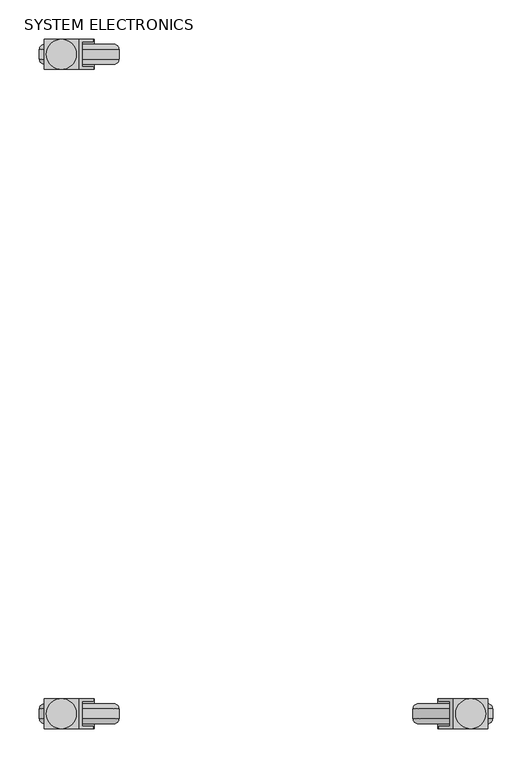
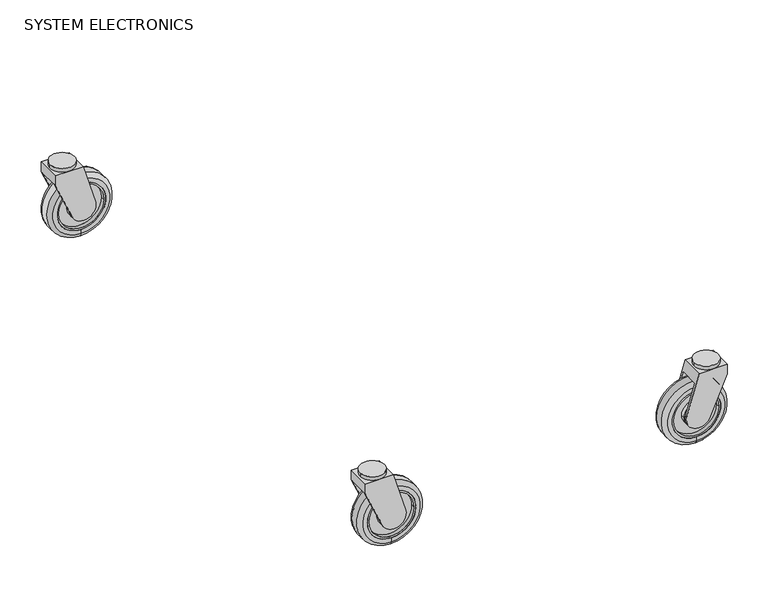
"""IFC4 building model written with IfcOpenShell, lengths in millimetres: proxy geometry, SYSTEM ELECTRONICS."""

from ifc_helpers import new_model, si_unit, point, frame, frame_2d, origin, place, context, project, spatial, polyline, circle_curve, ellipse_curve, trimmed, segment, composite_curve, outline, extrude, source, transform, mapped, element, save
from ifc_brep_helpers import plane_surface, cylinder_surface, revolved_surface, advanced_brep


def system_electronics_4402ecd6(model_context):
    return source(origin(), model_context, "Body", "SolidModel", [
        advanced_brep(
        [(67.0948892, -1473.2, 12.7), (67.0948892, -1473.2, 88.9), (67.0948892, -1473.2, 95.25), (67.0948892, -1473.2, 6.35), (67.0948892, -1498.6, 12.7), (67.0948892, -1498.6, 88.9), (67.0948892, -1498.6, 6.35), (67.0948892, -1498.6, 95.25), (67.0948892, -1492.25, 0.0), (67.0948892, -1492.25, 101.6), (67.0948892, -1479.55, 0.0), (67.0948892, -1479.55, 101.6)],
        [
            (0, 1, circle_curve(frame((67.0948892, -1473.2, 50.8), z_axis=(0.0, -1.0, 0.0), x_axis=(0.0, 0.0, 1.0)), 38.1)),
            (1, 2),
            (2, 3, circle_curve(frame((67.0948892, -1473.2, 50.8), z_axis=(0.0, 1.0, 0.0), x_axis=(0.0, 0.0, 1.0)), 44.45)),
            (3, 0),
            (1, 0, circle_curve(frame((67.0948892, -1473.2, 50.8), z_axis=(0.0, -1.0, 0.0), x_axis=(0.0, 0.0, 1.0)), 38.1)),
            (3, 2, circle_curve(frame((67.0948892, -1473.2, 50.8), z_axis=(0.0, 1.0, 0.0), x_axis=(0.0, 0.0, 1.0)), 44.45)),
            (4, 5, circle_curve(frame((67.0948892, -1498.6, 50.8), z_axis=(0.0, -1.0, 0.0), x_axis=(0.0, 0.0, 1.0)), 38.1)),
            (5, 1),
            (0, 4),
            (5, 4, circle_curve(frame((67.0948892, -1498.6, 50.8), z_axis=(0.0, -1.0, 0.0), x_axis=(0.0, 0.0, 1.0)), 38.1)),
            (6, 7, circle_curve(frame((67.0948892, -1498.6, 50.8), z_axis=(0.0, -1.0, 0.0), x_axis=(0.0, 0.0, 1.0)), 44.45)),
            (7, 5),
            (4, 6),
            (7, 6, circle_curve(frame((67.0948892, -1498.6, 50.8), z_axis=(0.0, -1.0, 0.0), x_axis=(0.0, 0.0, 1.0)), 44.45)),
            (8, 9, circle_curve(frame((67.0948892, -1492.25, 50.8), z_axis=(0.0, -1.0, 0.0), x_axis=(0.0, 0.0, 1.0)), 50.8)),
            (9, 7, circle_curve(frame((67.0948892, -1492.25, 95.25), z_axis=(0.9999999999999998, 0.0, 0.0), x_axis=(0.0, -0.9999999999999998, 0.0)), 6.35)),
            (6, 8, circle_curve(frame((67.0948892, -1492.25, 6.35), z_axis=(0.9999999999999998, 0.0, 0.0), x_axis=(0.0, -0.9999999999999998, 0.0)), 6.35)),
            (9, 8, circle_curve(frame((67.0948892, -1492.25, 50.8), z_axis=(0.0, -1.0, 0.0), x_axis=(0.0, 0.0, 1.0)), 50.8)),
            (10, 11, circle_curve(frame((67.0948892, -1479.55, 50.8), z_axis=(0.0, -1.0, 0.0), x_axis=(0.0, 0.0, 1.0)), 50.8)),
            (11, 9),
            (8, 10),
            (11, 10, circle_curve(frame((67.0948892, -1479.55, 50.8), z_axis=(0.0, -1.0, 0.0), x_axis=(0.0, 0.0, 1.0)), 50.8)),
            (2, 11, circle_curve(frame((67.0948892, -1479.55, 95.25), z_axis=(0.9999999999999998, 0.0, 0.0), x_axis=(0.0, -0.9999999999999998, 0.0)), 6.35)),
            (10, 3, circle_curve(frame((67.0948892, -1479.55, 6.35), z_axis=(0.9999999999999998, 0.0, 0.0), x_axis=(0.0, -0.9999999999999998, 0.0)), 6.35)),
        ],
        [
            plane_surface(frame((67.0948892, -1473.2, 50.8), z_axis=(0.0, 1.0, 0.0), x_axis=(0.0, 0.0, 1.0))),
            revolved_surface(polyline([(67.0948892, -1473.2, 88.9), (67.0948892, -1498.6, 88.9)]), (67.0948892, -1460.5, 50.8), (0.0, 0.9999999999999998, 0.0)),
            plane_surface(frame((67.0948892, -1498.6, 50.8), z_axis=(0.0, -1.0, 0.0), x_axis=(0.0, 0.0, 1.0))),
            revolved_surface(trimmed(ellipse_curve(frame((67.0948892, -1492.25, 95.25), z_axis=(-0.9999999999999998, 0.0, 0.0), x_axis=(0.0, -0.9999999999999998, 0.0)), 6.35, 6.35), [point((67.0948892, -1498.6, 95.25))], [point((67.0948892, -1492.25, 101.6))], True, "CARTESIAN"), (67.0948892, -1460.5, 50.8), (0.0, 0.9999999999999998, 0.0)),
            cylinder_surface(frame((67.0948892, -1460.5, 50.8), z_axis=(0.0, 0.9999999999999998, 0.0), x_axis=(0.0, 0.0, 1.0)), 50.8),
            revolved_surface(trimmed(ellipse_curve(frame((67.0948892, -1479.55, 95.25), z_axis=(-0.9999999999999998, 0.0, 0.0), x_axis=(0.0, -0.9999999999999998, 0.0)), 6.35, 6.35), [point((67.0948892, -1479.55, 101.6))], [point((67.0948892, -1473.2, 95.25))], True, "CARTESIAN"), (67.0948892, -1460.5, 50.8), (0.0, 0.9999999999999998, 0.0)),
        ],
        [
            (0, [[1, 2, 3, 4]]),
            (0, [[5, -4, 6, -2]]),
            (1, [[7, 8, -1, 9]]),
            (1, [[10, -9, -5, -8]]),
            (2, [[11, 12, -7, 13]]),
            (2, [[14, -13, -10, -12]]),
            (3, [[15, 16, -11, 17]]),
            (3, [[18, -17, -14, -16]]),
            (4, [[19, 20, -15, 21]]),
            (4, [[22, -21, -18, -20]]),
            (5, [[-3, 23, -19, 24]]),
            (5, [[-6, -24, -22, -23]]),
        ],
    ),
        advanced_brep(
        [(49.1866532, -1504.95, 44.3040332), (85.5850789, -1504.95, 55.3842539), (66.2551108, -1504.95, 120.65), (22.6448892, -1504.95, 120.65), (22.6448892, -1504.95, 104.775), (49.1866532, -1501.775, 44.3040332), (22.6448892, -1501.775, 104.775), (70.9568612, -1501.775, 104.775), (85.0992914, -1501.775, 57.024468), (85.5850789, -1501.775, 55.3842539), (86.1448892, -1501.775, 50.8), (70.9568612, -1470.025, 104.775), (85.0992914, -1470.025, 57.024468), (85.5850789, -1470.025, 55.3842539), (85.5850789, -1466.85, 55.3842539), (66.2551108, -1466.85, 120.65), (22.6448892, -1466.85, 120.65), (22.6448892, -1466.85, 104.775), (22.6448892, -1470.025, 104.775), (49.1866532, -1466.85, 44.3040332), (49.1866532, -1470.025, 44.3040332), (86.1448892, -1470.025, 50.8)],
        [
            (0, 1, circle_curve(frame((67.0948892, -1504.95, 50.8), z_axis=(0.0, -1.0, 0.0), x_axis=(-0.9999999999999998, 0.0, 0.0)), 19.05)),
            (1, 2),
            (2, 3),
            (3, 4),
            (4, 0),
            (5, 6),
            (6, 7),
            (7, 8),
            (8, 9),
            (9, 10, circle_curve(frame((67.0948892, -1501.775, 50.8), z_axis=(0.0, 1.0, 0.0), x_axis=(-0.9999999999999998, 0.0, 0.0)), 19.05)),
            (10, 5, circle_curve(frame((67.0948892, -1501.775, 50.8), z_axis=(0.0, 1.0, 0.0), x_axis=(-0.9999999999999998, 0.0, 0.0)), 19.05)),
            (0, 5),
            (9, 1),
            (7, 11),
            (11, 12),
            (12, 13),
            (13, 14),
            (14, 15),
            (15, 2),
            (15, 16),
            (16, 3),
            (16, 17),
            (17, 18),
            (18, 6),
            (6, 4),
            (18, 11),
            (19, 17),
            (14, 19, circle_curve(frame((67.0948892, -1466.85, 50.8), z_axis=(0.0, 1.0, 0.0), x_axis=(-0.9999999999999998, 0.0, 0.0)), 19.05)),
            (18, 20),
            (20, 21, circle_curve(frame((67.0948892, -1470.025, 50.8), z_axis=(0.0, -1.0, 0.0), x_axis=(-0.9999999999999998, 0.0, 0.0)), 19.05)),
            (21, 13, circle_curve(frame((67.0948892, -1470.025, 50.8), z_axis=(0.0, -1.0, 0.0), x_axis=(-0.9999999999999998, 0.0, 0.0)), 19.05)),
            (19, 20),
        ],
        [
            plane_surface(frame((48.0448892, -1504.95, 50.8), z_axis=(0.0, -1.0, 0.0), x_axis=(0.0, 0.0, -1.0))),
            plane_surface(frame((48.0448892, -1501.775, 50.8), z_axis=(0.0, 1.0, 0.0), x_axis=(0.0, 0.0, 1.0))),
            cylinder_surface(frame((67.0948892, -1501.775, 50.8), z_axis=(0.0, -0.9999999999999998, 0.0), x_axis=(-0.9999999999999998, 0.0, 0.0)), 19.05),
            plane_surface(frame((85.5850789, -1504.95, 55.3842539), z_axis=(0.9588302426656272, 0.0, 0.28397986856425994), x_axis=(0.0, 1.0, 0.0))),
            plane_surface(frame((66.2551108, -1504.95, 120.65), z_axis=(0.0, 0.0, 1.0), x_axis=(0.0, 1.0, 0.0))),
            plane_surface(frame((22.6448892, -1504.95, 120.65), z_axis=(-1.0, 0.0, 0.0), x_axis=(0.0, 1.0, 0.0))),
            plane_surface(frame((22.6448892, -1504.95, 104.775), z_axis=(-0.915680061718798, 0.0, -0.40190798022763663), x_axis=(0.0, 1.0, 0.0))),
            plane_surface(frame((70.9568612, -1470.025, 104.775), z_axis=(0.0, 0.0, -1.0), x_axis=(0.0, -1.0, 0.0))),
            plane_surface(frame((17.9037108, -1466.85, 115.5769813), z_axis=(0.0, 1.0, 0.0), x_axis=(-0.40190798022763913, 0.0, 0.9156800617187969))),
            plane_surface(frame((17.9037108, -1470.025, 115.5769813), z_axis=(0.0, -1.0, 0.0), x_axis=(0.40190798022763913, 0.0, -0.9156800617187969))),
            plane_surface(frame((49.1866532, -1466.85, 44.3040332), z_axis=(-0.9156800617187969, 0.0, -0.40190798022763913), x_axis=(0.0, -1.0, 0.0))),
            cylinder_surface(frame((67.0948892, -1470.025, 50.8), z_axis=(0.0, 0.9999999999999998, 0.0), x_axis=(-0.9999999999999998, 0.0, 0.0)), 19.05),
        ],
        [
            (0, [[1, 2, 3, 4, 5]]),
            (1, [[6, 7, 8, 9, 10, 11]]),
            (2, [[-1, 12, -11, -10, 13]]),
            (3, [[-2, -13, -9, -8, 14, 15, 16, 17, 18, 19]]),
            (4, [[-3, -19, 20, 21]]),
            (5, [[-4, -21, 22, 23, 24, 25]]),
            (6, [[-5, -25, -6, -12]]),
            (7, [[-24, 26, -14, -7]]),
            (8, [[27, -22, -20, -18, 28]]),
            (9, [[29, 30, 31, -16, -15, -26]]),
            (10, [[-27, 32, -29, -23]]),
            (11, [[-28, -17, -31, -30, -32]]),
        ],
    ),
        advanced_brep(
        [(105.1948892, -1473.2, 50.8), (28.9948892, -1473.2, 50.8), (102.0198892, -1473.2, 50.8), (32.1698892, -1473.2, 50.8), (105.1948892, -1498.6, 50.8), (28.9948892, -1498.6, 50.8), (102.0198892, -1498.6, 50.8), (32.1698892, -1498.6, 50.8), (86.1448892, -1470.025, 50.8), (48.0448892, -1470.025, 50.8), (86.1448892, -1501.775, 50.8), (48.0448892, -1501.775, 50.8), (86.1448892, -1473.2, 50.8), (48.0448892, -1473.2, 50.8), (48.0448892, -1498.6, 50.8), (86.1448892, -1498.6, 50.8), (102.0198892, -1479.55, 50.8), (32.1698892, -1479.55, 50.8), (86.1448892, -1479.55, 50.8), (48.0448892, -1479.55, 50.8), (102.0198892, -1492.25, 50.8), (32.1698892, -1492.25, 50.8), (86.1448892, -1492.25, 50.8), (48.0448892, -1492.25, 50.8)],
        [
            (0, 1, circle_curve(frame((67.0948892, -1473.2, 50.8), z_axis=(0.0, 1.0, 0.0), x_axis=(-0.9999999999999998, 0.0, 0.0)), 38.1)),
            (1, 0, circle_curve(frame((67.0948892, -1473.2, 50.8), z_axis=(0.0, 1.0, 0.0), x_axis=(-0.9999999999999998, 0.0, 0.0)), 38.1)),
            (2, 3, circle_curve(frame((67.0948892, -1473.2, 50.8), z_axis=(0.0, -1.0, 0.0), x_axis=(-0.9999999999999998, 0.0, 0.0)), 34.925)),
            (3, 2, circle_curve(frame((67.0948892, -1473.2, 50.8), z_axis=(0.0, -1.0, 0.0), x_axis=(-0.9999999999999998, 0.0, 0.0)), 34.925)),
            (4, 5, circle_curve(frame((67.0948892, -1498.6, 50.8), z_axis=(0.0, -1.0, 0.0), x_axis=(-0.9999999999999998, 0.0, 0.0)), 38.1)),
            (5, 4, circle_curve(frame((67.0948892, -1498.6, 50.8), z_axis=(0.0, -1.0, 0.0), x_axis=(-0.9999999999999998, 0.0, 0.0)), 38.1)),
            (6, 7, circle_curve(frame((67.0948892, -1498.6, 50.8), z_axis=(0.0, 1.0, 0.0), x_axis=(-0.9999999999999998, 0.0, 0.0)), 34.925)),
            (7, 6, circle_curve(frame((67.0948892, -1498.6, 50.8), z_axis=(0.0, 1.0, 0.0), x_axis=(-0.9999999999999998, 0.0, 0.0)), 34.925)),
            (0, 4),
            (5, 1),
            (8, 9, circle_curve(frame((67.0948892, -1470.025, 50.8), z_axis=(0.0, 1.0, 0.0), x_axis=(-0.9999999999999998, 0.0, 0.0)), 19.05)),
            (9, 8, circle_curve(frame((67.0948892, -1470.025, 50.8), z_axis=(0.0, 1.0, 0.0), x_axis=(-0.9999999999999998, 0.0, 0.0)), 19.05)),
            (10, 11, circle_curve(frame((67.0948892, -1501.775, 50.8), z_axis=(0.0, -1.0, 0.0), x_axis=(-0.9999999999999998, 0.0, 0.0)), 19.05)),
            (11, 10, circle_curve(frame((67.0948892, -1501.775, 50.8), z_axis=(0.0, -1.0, 0.0), x_axis=(-0.9999999999999998, 0.0, 0.0)), 19.05)),
            (8, 12),
            (12, 13, circle_curve(frame((67.0948892, -1473.2, 50.8), z_axis=(0.0, 1.0, 0.0), x_axis=(-0.9999999999999998, 0.0, 0.0)), 19.05)),
            (13, 9),
            (11, 14),
            (14, 15, circle_curve(frame((67.0948892, -1498.6, 50.8), z_axis=(0.0, -1.0, 0.0), x_axis=(-0.9999999999999998, 0.0, 0.0)), 19.05)),
            (15, 10),
            (13, 12, circle_curve(frame((67.0948892, -1473.2, 50.8), z_axis=(0.0, 1.0, 0.0), x_axis=(-0.9999999999999998, 0.0, 0.0)), 19.05)),
            (15, 14, circle_curve(frame((67.0948892, -1498.6, 50.8), z_axis=(0.0, -1.0, 0.0), x_axis=(-0.9999999999999998, 0.0, 0.0)), 19.05)),
            (16, 17, circle_curve(frame((67.0948892, -1479.55, 50.8), z_axis=(0.0, 1.0, 0.0), x_axis=(-0.9999999999999998, 0.0, 0.0)), 34.925)),
            (17, 16, circle_curve(frame((67.0948892, -1479.55, 50.8), z_axis=(0.0, 1.0, 0.0), x_axis=(-0.9999999999999998, 0.0, 0.0)), 34.925)),
            (18, 19, circle_curve(frame((67.0948892, -1479.55, 50.8), z_axis=(0.0, -1.0, 0.0), x_axis=(-0.9999999999999998, 0.0, 0.0)), 19.05)),
            (19, 18, circle_curve(frame((67.0948892, -1479.55, 50.8), z_axis=(0.0, -1.0, 0.0), x_axis=(-0.9999999999999998, 0.0, 0.0)), 19.05)),
            (17, 3),
            (2, 16),
            (19, 13),
            (12, 18),
            (20, 21, circle_curve(frame((67.0948892, -1492.25, 50.8), z_axis=(0.0, -1.0, 0.0), x_axis=(-0.9999999999999998, 0.0, 0.0)), 34.925)),
            (21, 20, circle_curve(frame((67.0948892, -1492.25, 50.8), z_axis=(0.0, -1.0, 0.0), x_axis=(-0.9999999999999998, 0.0, 0.0)), 34.925)),
            (22, 23, circle_curve(frame((67.0948892, -1492.25, 50.8), z_axis=(0.0, 1.0, 0.0), x_axis=(-0.9999999999999998, 0.0, 0.0)), 19.05)),
            (23, 22, circle_curve(frame((67.0948892, -1492.25, 50.8), z_axis=(0.0, 1.0, 0.0), x_axis=(-0.9999999999999998, 0.0, 0.0)), 19.05)),
            (21, 7),
            (6, 20),
            (23, 14),
            (15, 22),
        ],
        [
            plane_surface(frame((28.9948892, -1473.2, 50.8), z_axis=(0.0, 1.0, 0.0), x_axis=(0.0, 0.0, 1.0))),
            plane_surface(frame((28.9948892, -1498.6, 50.8), z_axis=(0.0, -1.0, 0.0), x_axis=(0.0, 0.0, -1.0))),
            cylinder_surface(frame((67.0948892, -1498.6, 50.8), z_axis=(0.0, 0.9999999999999998, 0.0), x_axis=(-0.9999999999999998, 0.0, 0.0)), 38.1),
            plane_surface(frame((48.0448892, -1470.025, 50.8), z_axis=(0.0, 1.0, 0.0), x_axis=(0.0, 0.0, 1.0))),
            plane_surface(frame((48.0448892, -1501.775, 50.8), z_axis=(0.0, -1.0, 0.0), x_axis=(0.0, 0.0, -1.0))),
            cylinder_surface(frame((67.0948892, -1501.775, 50.8), z_axis=(0.0, 0.9999999999999998, 0.0), x_axis=(-0.9999999999999998, 0.0, 0.0)), 19.05),
            plane_surface(frame((32.1698892, -1479.55, 50.8), z_axis=(0.0, 1.0, 0.0), x_axis=(0.0, 0.0, -1.0))),
            revolved_surface(polyline([(32.16988920000001, -1479.55, 50.8), (32.16988920000001, -1473.2, 50.8)]), (67.0948892, -1473.2, 50.8), (0.0, -0.9999999999999998, 0.0)),
            cylinder_surface(frame((67.0948892, -1473.2, 50.8), z_axis=(0.0, 0.9999999999999998, 0.0), x_axis=(-0.9999999999999998, 0.0, 0.0)), 19.05),
            plane_surface(frame((32.1698892, -1492.25, 50.8), z_axis=(0.0, -1.0, 0.0), x_axis=(0.0, 0.0, 1.0))),
            revolved_surface(polyline([(32.16988920000001, -1492.25, 50.8), (32.16988920000001, -1498.6, 50.8)]), (67.0948892, -1498.6, 50.8), (0.0, 0.9999999999999998, 0.0)),
            cylinder_surface(frame((67.0948892, -1498.6, 50.8), z_axis=(0.0, -0.9999999999999998, 0.0), x_axis=(-0.9999999999999998, 0.0, 0.0)), 19.05),
        ],
        [
            (0, [[1, 2], [3, 4]]),
            (1, [[5, 6], [7, 8]]),
            (2, [[-1, 9, -6, 10]]),
            (2, [[-2, -10, -5, -9]]),
            (3, [[11, 12]]),
            (4, [[13, 14]]),
            (5, [[-11, 15, 16, 17]]),
            (5, [[-14, 18, 19, 20]]),
            (5, [[-12, -17, 21, -15]]),
            (5, [[-13, -20, 22, -18]]),
            (6, [[23, 24], [25, 26]]),
            (7, [[-24, 27, -3, 28]]),
            (7, [[-23, -28, -4, -27]]),
            (8, [[-26, 29, -16, 30]]),
            (8, [[-25, -30, -21, -29]]),
            (9, [[31, 32], [33, 34]]),
            (10, [[-32, 35, -7, 36]]),
            (10, [[-31, -36, -8, -35]]),
            (11, [[-34, 37, -22, 38]]),
            (11, [[-33, -38, -19, -37]]),
        ],
    ),
        extrude(outline(composite_curve([segment(trimmed(circle_curve(frame_2d((44.45, -1485.9)), 19.05), [point((63.5, -1485.9))], [point((25.4, -1485.9))], False, "CARTESIAN"), True, "CONTINUOUS"), segment(trimmed(circle_curve(frame_2d((44.45, -1485.9)), 19.05), [point((25.4, -1485.9))], [point((63.5, -1485.9))], False, "CARTESIAN"), True, "CONTINUOUS")], self_intersect=False)), frame((0.0, 0.0, 120.65), z_axis=(0.0, 0.0, 1.0), x_axis=(1.0, 0.0, 0.0)), (0.0, 0.0, 1.0), 6.35),
        advanced_brep(
        [(67.0948892, -660.4, 12.7), (67.0948892, -660.4, 6.35), (67.0948892, -660.4, 95.25), (67.0948892, -660.4, 88.9), (67.0948892, -635.0, 12.7), (67.0948892, -635.0, 88.9), (67.0948892, -635.0, 6.35), (67.0948892, -635.0, 95.25), (67.0948892, -641.35, 0.0), (67.0948892, -641.35, 101.6), (67.0948892, -654.05, 0.0), (67.0948892, -654.05, 101.6)],
        [
            (0, 1),
            (1, 2, circle_curve(frame((67.0948892, -660.4, 50.8), z_axis=(0.0, -1.0, 0.0), x_axis=(0.0, 0.0, 1.0)), 44.45)),
            (2, 3),
            (3, 0, circle_curve(frame((67.0948892, -660.4, 50.8), z_axis=(0.0, 1.0, 0.0), x_axis=(0.0, 0.0, 1.0)), 38.1)),
            (2, 1, circle_curve(frame((67.0948892, -660.4, 50.8), z_axis=(0.0, -1.0, 0.0), x_axis=(0.0, 0.0, 1.0)), 44.45)),
            (0, 3, circle_curve(frame((67.0948892, -660.4, 50.8), z_axis=(0.0, 1.0, 0.0), x_axis=(0.0, 0.0, 1.0)), 38.1)),
            (4, 0),
            (3, 5),
            (5, 4, circle_curve(frame((67.0948892, -635.0, 50.8), z_axis=(0.0, 1.0, 0.0), x_axis=(0.0, 0.0, 1.0)), 38.1)),
            (4, 5, circle_curve(frame((67.0948892, -635.0, 50.8), z_axis=(0.0, 1.0, 0.0), x_axis=(0.0, 0.0, 1.0)), 38.1)),
            (6, 4),
            (5, 7),
            (7, 6, circle_curve(frame((67.0948892, -635.0, 50.8), z_axis=(0.0, 1.0, 0.0), x_axis=(0.0, 0.0, 1.0)), 44.45)),
            (6, 7, circle_curve(frame((67.0948892, -635.0, 50.8), z_axis=(0.0, 1.0, 0.0), x_axis=(0.0, 0.0, 1.0)), 44.45)),
            (8, 6, circle_curve(frame((67.0948892, -641.35, 6.35), z_axis=(0.9999999999999998, 0.0, 0.0), x_axis=(0.0, 0.9999999999999998, 0.0)), 6.35)),
            (7, 9, circle_curve(frame((67.0948892, -641.35, 95.25), z_axis=(0.9999999999999998, 0.0, 0.0), x_axis=(0.0, 0.9999999999999998, 0.0)), 6.35)),
            (9, 8, circle_curve(frame((67.0948892, -641.35, 50.8), z_axis=(0.0, 1.0, 0.0), x_axis=(0.0, 0.0, 1.0)), 50.8)),
            (8, 9, circle_curve(frame((67.0948892, -641.35, 50.8), z_axis=(0.0, 1.0, 0.0), x_axis=(0.0, 0.0, 1.0)), 50.8)),
            (10, 8),
            (9, 11),
            (11, 10, circle_curve(frame((67.0948892, -654.05, 50.8), z_axis=(0.0, 1.0, 0.0), x_axis=(0.0, 0.0, 1.0)), 50.8)),
            (10, 11, circle_curve(frame((67.0948892, -654.05, 50.8), z_axis=(0.0, 1.0, 0.0), x_axis=(0.0, 0.0, 1.0)), 50.8)),
            (1, 10, circle_curve(frame((67.0948892, -654.05, 6.35), z_axis=(0.9999999999999998, 0.0, 0.0), x_axis=(0.0, 0.9999999999999998, 0.0)), 6.35)),
            (11, 2, circle_curve(frame((67.0948892, -654.05, 95.25), z_axis=(0.9999999999999998, 0.0, 0.0), x_axis=(0.0, 0.9999999999999998, 0.0)), 6.35)),
        ],
        [
            plane_surface(frame((67.0948892, -660.4, 50.8), z_axis=(0.0, -1.0, 0.0), x_axis=(0.0, 0.0, 1.0))),
            revolved_surface(polyline([(67.0948892, -660.4, 88.9), (67.0948892, -635.0, 88.9)]), (67.0948892, -673.1, 50.8), (0.0, -0.9999999999999998, 0.0)),
            plane_surface(frame((67.0948892, -635.0, 50.8), z_axis=(0.0, 1.0, 0.0), x_axis=(0.0, 0.0, 1.0))),
            revolved_surface(trimmed(ellipse_curve(frame((67.0948892, -641.35, 95.25), z_axis=(0.9999999999999998, 0.0, 0.0), x_axis=(0.0, 0.9999999999999998, 0.0)), 6.35, 6.35), [point((67.0948892, -635.0, 95.25))], [point((67.0948892, -641.35, 101.6))], True, "CARTESIAN"), (67.0948892, -673.1, 50.8), (0.0, -0.9999999999999998, 0.0)),
            cylinder_surface(frame((67.0948892, -673.1, 50.8), z_axis=(0.0, -0.9999999999999998, 0.0), x_axis=(0.0, 0.0, 1.0)), 50.8),
            revolved_surface(trimmed(ellipse_curve(frame((67.0948892, -654.05, 95.25), z_axis=(0.9999999999999998, 0.0, 0.0), x_axis=(0.0, 0.9999999999999998, 0.0)), 6.35, 6.35), [point((67.0948892, -654.05, 101.6))], [point((67.0948892, -660.4, 95.25))], True, "CARTESIAN"), (67.0948892, -673.1, 50.8), (0.0, -0.9999999999999998, 0.0)),
        ],
        [
            (0, [[1, 2, 3, 4]]),
            (0, [[-3, 5, -1, 6]]),
            (1, [[7, -4, 8, 9]]),
            (1, [[-8, -6, -7, 10]]),
            (2, [[11, -9, 12, 13]]),
            (2, [[-12, -10, -11, 14]]),
            (3, [[15, -13, 16, 17]]),
            (3, [[-16, -14, -15, 18]]),
            (4, [[19, -17, 20, 21]]),
            (4, [[-20, -18, -19, 22]]),
            (5, [[23, -21, 24, -2]]),
            (5, [[-24, -22, -23, -5]]),
        ],
    ),
        advanced_brep(
        [(49.1866532, -628.65, 44.3040332), (22.6448892, -628.65, 104.775), (22.6448892, -628.65, 120.65), (66.2551108, -628.65, 120.65), (85.5850789, -628.65, 55.3842539), (49.1866532, -631.825, 44.3040332), (86.1448892, -631.825, 50.8), (85.5850789, -631.825, 55.3842539), (85.0992914, -631.825, 57.024468), (70.9568612, -631.825, 104.775), (22.6448892, -631.825, 104.775), (66.2551108, -666.75, 120.65), (85.5850789, -666.75, 55.3842539), (85.5850789, -663.575, 55.3842539), (85.0992914, -663.575, 57.024468), (70.9568612, -663.575, 104.775), (22.6448892, -666.75, 120.65), (22.6448892, -663.575, 104.775), (22.6448892, -666.75, 104.775), (49.1866532, -666.75, 44.3040332), (86.1448892, -663.575, 50.8), (49.1866532, -663.575, 44.3040332)],
        [
            (0, 1),
            (1, 2),
            (2, 3),
            (3, 4),
            (4, 0, circle_curve(frame((67.0948892, -628.65, 50.8), z_axis=(0.0, 1.0, 0.0), x_axis=(-0.9999999999999998, 0.0, 0.0)), 19.05)),
            (5, 6, circle_curve(frame((67.0948892, -631.825, 50.8), z_axis=(0.0, -1.0, 0.0), x_axis=(-0.9999999999999998, 0.0, 0.0)), 19.05)),
            (6, 7, circle_curve(frame((67.0948892, -631.825, 50.8), z_axis=(0.0, -1.0, 0.0), x_axis=(-0.9999999999999998, 0.0, 0.0)), 19.05)),
            (7, 8),
            (8, 9),
            (9, 10),
            (10, 5),
            (4, 7),
            (5, 0),
            (3, 11),
            (11, 12),
            (12, 13),
            (13, 14),
            (14, 15),
            (15, 9),
            (2, 16),
            (16, 11),
            (1, 10),
            (10, 17),
            (17, 18),
            (18, 16),
            (15, 17),
            (19, 12, circle_curve(frame((67.0948892, -666.75, 50.8), z_axis=(0.0, -1.0, 0.0), x_axis=(-0.9999999999999998, 0.0, 0.0)), 19.05)),
            (18, 19),
            (13, 20, circle_curve(frame((67.0948892, -663.575, 50.8), z_axis=(0.0, 1.0, 0.0), x_axis=(-0.9999999999999998, 0.0, 0.0)), 19.05)),
            (20, 21, circle_curve(frame((67.0948892, -663.575, 50.8), z_axis=(0.0, 1.0, 0.0), x_axis=(-0.9999999999999998, 0.0, 0.0)), 19.05)),
            (21, 17),
            (21, 19),
        ],
        [
            plane_surface(frame((48.0448892, -628.65, 50.8), z_axis=(0.0, 1.0, 0.0), x_axis=(0.0, 0.0, -1.0))),
            plane_surface(frame((48.0448892, -631.825, 50.8), z_axis=(0.0, -1.0, 0.0), x_axis=(0.0, 0.0, 1.0))),
            cylinder_surface(frame((67.0948892, -631.825, 50.8), z_axis=(0.0, 0.9999999999999998, 0.0), x_axis=(-0.9999999999999998, 0.0, 0.0)), 19.05),
            plane_surface(frame((85.5850789, -628.65, 55.3842539), z_axis=(0.9588302426656272, 0.0, 0.28397986856425994), x_axis=(0.0, -1.0, 0.0))),
            plane_surface(frame((66.2551108, -628.65, 120.65), z_axis=(0.0, 0.0, 1.0), x_axis=(0.0, -1.0, 0.0))),
            plane_surface(frame((22.6448892, -628.65, 120.65), z_axis=(-1.0, 0.0, 0.0), x_axis=(0.0, -1.0, 0.0))),
            plane_surface(frame((22.6448892, -628.65, 104.775), z_axis=(-0.915680061718798, 0.0, -0.40190798022763663), x_axis=(0.0, -1.0, 0.0))),
            plane_surface(frame((70.9568612, -663.575, 104.775), z_axis=(0.0, 0.0, -1.0), x_axis=(0.0, 1.0, 0.0))),
            plane_surface(frame((17.9037108, -666.75, 115.5769813), z_axis=(0.0, -1.0, 0.0), x_axis=(-0.40190798022763913, 0.0, 0.9156800617187969))),
            plane_surface(frame((17.9037108, -663.575, 115.5769813), z_axis=(0.0, 1.0, 0.0), x_axis=(0.40190798022763913, 0.0, -0.9156800617187969))),
            plane_surface(frame((49.1866532, -666.75, 44.3040332), z_axis=(-0.9156800617187969, 0.0, -0.40190798022763913), x_axis=(0.0, 1.0, 0.0))),
            cylinder_surface(frame((67.0948892, -663.575, 50.8), z_axis=(0.0, -0.9999999999999998, 0.0), x_axis=(-0.9999999999999998, 0.0, 0.0)), 19.05),
        ],
        [
            (0, [[1, 2, 3, 4, 5]]),
            (1, [[6, 7, 8, 9, 10, 11]]),
            (2, [[12, -7, -6, 13, -5]]),
            (3, [[14, 15, 16, 17, 18, 19, -9, -8, -12, -4]]),
            (4, [[20, 21, -14, -3]]),
            (5, [[22, 23, 24, 25, -20, -2]]),
            (6, [[-13, -11, -22, -1]]),
            (7, [[-10, -19, 26, -23]]),
            (8, [[27, -15, -21, -25, 28]]),
            (9, [[-26, -18, -17, 29, 30, 31]]),
            (10, [[-24, -31, 32, -28]]),
            (11, [[-32, -30, -29, -16, -27]]),
        ],
    ),
        advanced_brep(
        [(105.1948892, -660.4, 50.8), (28.9948892, -660.4, 50.8), (102.0198892, -660.4, 50.8), (32.1698892, -660.4, 50.8), (105.1948892, -635.0, 50.8), (28.9948892, -635.0, 50.8), (102.0198892, -635.0, 50.8), (32.1698892, -635.0, 50.8), (86.1448892, -663.575, 50.8), (48.0448892, -663.575, 50.8), (86.1448892, -631.825, 50.8), (48.0448892, -631.825, 50.8), (86.1448892, -635.0, 50.8), (48.0448892, -635.0, 50.8), (48.0448892, -660.4, 50.8), (86.1448892, -660.4, 50.8), (102.0198892, -654.05, 50.8), (32.1698892, -654.05, 50.8), (86.1448892, -654.05, 50.8), (48.0448892, -654.05, 50.8), (102.0198892, -641.35, 50.8), (32.1698892, -641.35, 50.8), (86.1448892, -641.35, 50.8), (48.0448892, -641.35, 50.8)],
        [
            (0, 1, circle_curve(frame((67.0948892, -660.4, 50.8), z_axis=(0.0, -1.0, 0.0), x_axis=(-0.9999999999999998, 0.0, 0.0)), 38.1)),
            (1, 0, circle_curve(frame((67.0948892, -660.4, 50.8), z_axis=(0.0, -1.0, 0.0), x_axis=(-0.9999999999999998, 0.0, 0.0)), 38.1)),
            (2, 3, circle_curve(frame((67.0948892, -660.4, 50.8), z_axis=(0.0, 1.0, 0.0), x_axis=(-0.9999999999999998, 0.0, 0.0)), 34.925)),
            (3, 2, circle_curve(frame((67.0948892, -660.4, 50.8), z_axis=(0.0, 1.0, 0.0), x_axis=(-0.9999999999999998, 0.0, 0.0)), 34.925)),
            (4, 5, circle_curve(frame((67.0948892, -635.0, 50.8), z_axis=(0.0, 1.0, 0.0), x_axis=(-0.9999999999999998, 0.0, 0.0)), 38.1)),
            (5, 4, circle_curve(frame((67.0948892, -635.0, 50.8), z_axis=(0.0, 1.0, 0.0), x_axis=(-0.9999999999999998, 0.0, 0.0)), 38.1)),
            (6, 7, circle_curve(frame((67.0948892, -635.0, 50.8), z_axis=(0.0, -1.0, 0.0), x_axis=(-0.9999999999999998, 0.0, 0.0)), 34.925)),
            (7, 6, circle_curve(frame((67.0948892, -635.0, 50.8), z_axis=(0.0, -1.0, 0.0), x_axis=(-0.9999999999999998, 0.0, 0.0)), 34.925)),
            (1, 5),
            (4, 0),
            (8, 9, circle_curve(frame((67.0948892, -663.575, 50.8), z_axis=(0.0, -1.0, 0.0), x_axis=(-0.9999999999999998, 0.0, 0.0)), 19.05)),
            (9, 8, circle_curve(frame((67.0948892, -663.575, 50.8), z_axis=(0.0, -1.0, 0.0), x_axis=(-0.9999999999999998, 0.0, 0.0)), 19.05)),
            (10, 11, circle_curve(frame((67.0948892, -631.825, 50.8), z_axis=(0.0, 1.0, 0.0), x_axis=(-0.9999999999999998, 0.0, 0.0)), 19.05)),
            (11, 10, circle_curve(frame((67.0948892, -631.825, 50.8), z_axis=(0.0, 1.0, 0.0), x_axis=(-0.9999999999999998, 0.0, 0.0)), 19.05)),
            (10, 12),
            (12, 13, circle_curve(frame((67.0948892, -635.0, 50.8), z_axis=(0.0, 1.0, 0.0), x_axis=(-0.9999999999999998, 0.0, 0.0)), 19.05)),
            (13, 11),
            (9, 14),
            (14, 15, circle_curve(frame((67.0948892, -660.4, 50.8), z_axis=(0.0, -1.0, 0.0), x_axis=(-0.9999999999999998, 0.0, 0.0)), 19.05)),
            (15, 8),
            (15, 14, circle_curve(frame((67.0948892, -660.4, 50.8), z_axis=(0.0, -1.0, 0.0), x_axis=(-0.9999999999999998, 0.0, 0.0)), 19.05)),
            (13, 12, circle_curve(frame((67.0948892, -635.0, 50.8), z_axis=(0.0, 1.0, 0.0), x_axis=(-0.9999999999999998, 0.0, 0.0)), 19.05)),
            (16, 17, circle_curve(frame((67.0948892, -654.05, 50.8), z_axis=(0.0, -1.0, 0.0), x_axis=(-0.9999999999999998, 0.0, 0.0)), 34.925)),
            (17, 16, circle_curve(frame((67.0948892, -654.05, 50.8), z_axis=(0.0, -1.0, 0.0), x_axis=(-0.9999999999999998, 0.0, 0.0)), 34.925)),
            (18, 19, circle_curve(frame((67.0948892, -654.05, 50.8), z_axis=(0.0, 1.0, 0.0), x_axis=(-0.9999999999999998, 0.0, 0.0)), 19.05)),
            (19, 18, circle_curve(frame((67.0948892, -654.05, 50.8), z_axis=(0.0, 1.0, 0.0), x_axis=(-0.9999999999999998, 0.0, 0.0)), 19.05)),
            (16, 2),
            (3, 17),
            (18, 15),
            (14, 19),
            (20, 21, circle_curve(frame((67.0948892, -641.35, 50.8), z_axis=(0.0, 1.0, 0.0), x_axis=(-0.9999999999999998, 0.0, 0.0)), 34.925)),
            (21, 20, circle_curve(frame((67.0948892, -641.35, 50.8), z_axis=(0.0, 1.0, 0.0), x_axis=(-0.9999999999999998, 0.0, 0.0)), 34.925)),
            (22, 23, circle_curve(frame((67.0948892, -641.35, 50.8), z_axis=(0.0, -1.0, 0.0), x_axis=(-0.9999999999999998, 0.0, 0.0)), 19.05)),
            (23, 22, circle_curve(frame((67.0948892, -641.35, 50.8), z_axis=(0.0, -1.0, 0.0), x_axis=(-0.9999999999999998, 0.0, 0.0)), 19.05)),
            (20, 6),
            (7, 21),
            (22, 12),
            (13, 23),
        ],
        [
            plane_surface(frame((28.9948892, -660.4, 50.8), z_axis=(0.0, -1.0, 0.0), x_axis=(0.0, 0.0, 1.0))),
            plane_surface(frame((28.9948892, -635.0, 50.8), z_axis=(0.0, 1.0, 0.0), x_axis=(0.0, 0.0, -1.0))),
            cylinder_surface(frame((67.0948892, -635.0, 50.8), z_axis=(0.0, -0.9999999999999998, 0.0), x_axis=(-0.9999999999999998, 0.0, 0.0)), 38.1),
            plane_surface(frame((48.0448892, -663.575, 50.8), z_axis=(0.0, -1.0, 0.0), x_axis=(0.0, 0.0, 1.0))),
            plane_surface(frame((48.0448892, -631.825, 50.8), z_axis=(0.0, 1.0, 0.0), x_axis=(0.0, 0.0, -1.0))),
            cylinder_surface(frame((67.0948892, -631.825, 50.8), z_axis=(0.0, -0.9999999999999998, 0.0), x_axis=(-0.9999999999999998, 0.0, 0.0)), 19.05),
            plane_surface(frame((32.1698892, -654.05, 50.8), z_axis=(0.0, -1.0, 0.0), x_axis=(0.0, 0.0, -1.0))),
            revolved_surface(polyline([(32.16988920000001, -654.05, 50.8), (32.16988920000001, -660.4, 50.8)]), (67.0948892, -660.4, 50.8), (0.0, 0.9999999999999998, 0.0)),
            cylinder_surface(frame((67.0948892, -660.4, 50.8), z_axis=(0.0, -0.9999999999999998, 0.0), x_axis=(-0.9999999999999998, 0.0, 0.0)), 19.05),
            plane_surface(frame((32.1698892, -641.35, 50.8), z_axis=(0.0, 1.0, 0.0), x_axis=(0.0, 0.0, 1.0))),
            revolved_surface(polyline([(32.16988920000001, -641.35, 50.8), (32.16988920000001, -635.0, 50.8)]), (67.0948892, -635.0, 50.8), (0.0, -0.9999999999999998, 0.0)),
            cylinder_surface(frame((67.0948892, -635.0, 50.8), z_axis=(0.0, 0.9999999999999998, 0.0), x_axis=(-0.9999999999999998, 0.0, 0.0)), 19.05),
        ],
        [
            (0, [[1, 2], [3, 4]]),
            (1, [[5, 6], [7, 8]]),
            (2, [[9, -5, 10, -2]]),
            (2, [[-10, -6, -9, -1]]),
            (3, [[11, 12]]),
            (4, [[13, 14]]),
            (5, [[15, 16, 17, -13]]),
            (5, [[18, 19, 20, -12]]),
            (5, [[-20, 21, -18, -11]]),
            (5, [[-17, 22, -15, -14]]),
            (6, [[23, 24], [25, 26]]),
            (7, [[27, -4, 28, -23]]),
            (7, [[-28, -3, -27, -24]]),
            (8, [[29, -19, 30, -25]]),
            (8, [[-30, -21, -29, -26]]),
            (9, [[31, 32], [33, 34]]),
            (10, [[35, -8, 36, -31]]),
            (10, [[-36, -7, -35, -32]]),
            (11, [[37, -22, 38, -33]]),
            (11, [[-38, -16, -37, -34]]),
        ],
    ),
        extrude(outline(composite_curve([segment(trimmed(circle_curve(frame_2d((44.45, -647.7)), 19.05), [point((63.5, -647.7))], [point((25.4, -647.7))], False, "CARTESIAN"), True, "CONTINUOUS"), segment(trimmed(circle_curve(frame_2d((44.45, -647.7)), 19.05), [point((25.4, -647.7))], [point((63.5, -647.7))], False, "CARTESIAN"), True, "CONTINUOUS")], self_intersect=False)), frame((0.0, 0.0, 120.65), z_axis=(0.0, 0.0, 1.0), x_axis=(1.0, 0.0, 0.0)), (0.0, 0.0, 1.0), 6.35),
        advanced_brep(
        [(542.5051108, -1473.2, 12.7), (542.5051108, -1473.2, 6.35), (542.5051108, -1473.2, 95.25), (542.5051108, -1473.2, 88.9), (542.5051108, -1498.6, 12.7), (542.5051108, -1498.6, 88.9), (542.5051108, -1498.6, 6.35), (542.5051108, -1498.6, 95.25), (542.5051108, -1492.25, 0.0), (542.5051108, -1492.25, 101.6), (542.5051108, -1479.55, 0.0), (542.5051108, -1479.55, 101.6)],
        [
            (0, 1),
            (1, 2, circle_curve(frame((542.5051108, -1473.2, 50.8), z_axis=(0.0, 1.0, 0.0), x_axis=(0.0, 0.0, 1.0)), 44.45)),
            (2, 3),
            (3, 0, circle_curve(frame((542.5051108, -1473.2, 50.8), z_axis=(0.0, -1.0, 0.0), x_axis=(0.0, 0.0, 1.0)), 38.1)),
            (2, 1, circle_curve(frame((542.5051108, -1473.2, 50.8), z_axis=(0.0, 1.0, 0.0), x_axis=(0.0, 0.0, 1.0)), 44.45)),
            (0, 3, circle_curve(frame((542.5051108, -1473.2, 50.8), z_axis=(0.0, -1.0, 0.0), x_axis=(0.0, 0.0, 1.0)), 38.1)),
            (4, 0),
            (3, 5),
            (5, 4, circle_curve(frame((542.5051108, -1498.6, 50.8), z_axis=(0.0, -1.0, 0.0), x_axis=(0.0, 0.0, 1.0)), 38.1)),
            (4, 5, circle_curve(frame((542.5051108, -1498.6, 50.8), z_axis=(0.0, -1.0, 0.0), x_axis=(0.0, 0.0, 1.0)), 38.1)),
            (6, 4),
            (5, 7),
            (7, 6, circle_curve(frame((542.5051108, -1498.6, 50.8), z_axis=(0.0, -1.0, 0.0), x_axis=(0.0, 0.0, 1.0)), 44.45)),
            (6, 7, circle_curve(frame((542.5051108, -1498.6, 50.8), z_axis=(0.0, -1.0, 0.0), x_axis=(0.0, 0.0, 1.0)), 44.45)),
            (8, 6, circle_curve(frame((542.5051108, -1492.25, 6.35), z_axis=(-0.9999999999999998, 0.0, 0.0), x_axis=(0.0, -0.9999999999999998, 0.0)), 6.35)),
            (7, 9, circle_curve(frame((542.5051108, -1492.25, 95.25), z_axis=(-0.9999999999999998, 0.0, 0.0), x_axis=(0.0, -0.9999999999999998, 0.0)), 6.35)),
            (9, 8, circle_curve(frame((542.5051108, -1492.25, 50.8), z_axis=(0.0, -1.0, 0.0), x_axis=(0.0, 0.0, 1.0)), 50.8)),
            (8, 9, circle_curve(frame((542.5051108, -1492.25, 50.8), z_axis=(0.0, -1.0, 0.0), x_axis=(0.0, 0.0, 1.0)), 50.8)),
            (10, 8),
            (9, 11),
            (11, 10, circle_curve(frame((542.5051108, -1479.55, 50.8), z_axis=(0.0, -1.0, 0.0), x_axis=(0.0, 0.0, 1.0)), 50.8)),
            (10, 11, circle_curve(frame((542.5051108, -1479.55, 50.8), z_axis=(0.0, -1.0, 0.0), x_axis=(0.0, 0.0, 1.0)), 50.8)),
            (1, 10, circle_curve(frame((542.5051108, -1479.55, 6.35), z_axis=(-0.9999999999999998, 0.0, 0.0), x_axis=(0.0, -0.9999999999999998, 0.0)), 6.35)),
            (11, 2, circle_curve(frame((542.5051108, -1479.55, 95.25), z_axis=(-0.9999999999999998, 0.0, 0.0), x_axis=(0.0, -0.9999999999999998, 0.0)), 6.35)),
        ],
        [
            plane_surface(frame((542.5051108, -1473.2, 50.8), z_axis=(0.0, 1.0, 0.0), x_axis=(0.0, 0.0, 1.0))),
            revolved_surface(polyline([(542.5051108, -1473.2, 88.9), (542.5051108, -1498.6, 88.9)]), (542.5051108, -1460.5, 50.8), (0.0, 0.9999999999999998, 0.0)),
            plane_surface(frame((542.5051108, -1498.6, 50.8), z_axis=(0.0, -1.0, 0.0), x_axis=(0.0, 0.0, 1.0))),
            revolved_surface(trimmed(ellipse_curve(frame((542.5051108, -1492.25, 95.25), z_axis=(-0.9999999999999998, 0.0, 0.0), x_axis=(0.0, -0.9999999999999998, 0.0)), 6.35, 6.35), [point((542.5051108, -1498.6, 95.25))], [point((542.5051108, -1492.25, 101.6))], True, "CARTESIAN"), (542.5051108, -1460.5, 50.8), (0.0, 0.9999999999999998, 0.0)),
            cylinder_surface(frame((542.5051108, -1460.5, 50.8), z_axis=(0.0, 0.9999999999999998, 0.0), x_axis=(0.0, 0.0, 1.0)), 50.8),
            revolved_surface(trimmed(ellipse_curve(frame((542.5051108, -1479.55, 95.25), z_axis=(-0.9999999999999998, 0.0, 0.0), x_axis=(0.0, -0.9999999999999998, 0.0)), 6.35, 6.35), [point((542.5051108, -1479.55, 101.6))], [point((542.5051108, -1473.2, 95.25))], True, "CARTESIAN"), (542.5051108, -1460.5, 50.8), (0.0, 0.9999999999999998, 0.0)),
        ],
        [
            (0, [[1, 2, 3, 4]]),
            (0, [[-3, 5, -1, 6]]),
            (1, [[7, -4, 8, 9]]),
            (1, [[-8, -6, -7, 10]]),
            (2, [[11, -9, 12, 13]]),
            (2, [[-12, -10, -11, 14]]),
            (3, [[15, -13, 16, 17]]),
            (3, [[-16, -14, -15, 18]]),
            (4, [[19, -17, 20, 21]]),
            (4, [[-20, -18, -19, 22]]),
            (5, [[23, -21, 24, -2]]),
            (5, [[-24, -22, -23, -5]]),
        ],
    ),
        advanced_brep(
        [(560.4133468, -1504.95, 44.3040332), (586.9551108, -1504.95, 104.775), (586.9551108, -1504.95, 120.65), (543.3448892, -1504.95, 120.65), (524.0149211, -1504.95, 55.3842539), (560.4133468, -1501.775, 44.3040332), (523.4551108, -1501.775, 50.8), (524.0149211, -1501.775, 55.3842539), (524.5007086, -1501.775, 57.024468), (538.6431388, -1501.775, 104.775), (586.9551108, -1501.775, 104.775), (543.3448892, -1466.85, 120.65), (524.0149211, -1466.85, 55.3842539), (524.0149211, -1470.025, 55.3842539), (524.5007086, -1470.025, 57.024468), (538.6431388, -1470.025, 104.775), (586.9551108, -1466.85, 120.65), (586.9551108, -1470.025, 104.775), (586.9551108, -1466.85, 104.775), (560.4133468, -1466.85, 44.3040332), (523.4551108, -1470.025, 50.8), (560.4133468, -1470.025, 44.3040332)],
        [
            (0, 1),
            (1, 2),
            (2, 3),
            (3, 4),
            (4, 0, circle_curve(frame((542.5051108, -1504.95, 50.8), z_axis=(0.0, -1.0, 0.0), x_axis=(0.9999999999999998, 0.0, 0.0)), 19.05)),
            (5, 6, circle_curve(frame((542.5051108, -1501.775, 50.8), z_axis=(0.0, 1.0, 0.0), x_axis=(0.9999999999999998, 0.0, 0.0)), 19.05)),
            (6, 7, circle_curve(frame((542.5051108, -1501.775, 50.8), z_axis=(0.0, 1.0, 0.0), x_axis=(0.9999999999999998, 0.0, 0.0)), 19.05)),
            (7, 8),
            (8, 9),
            (9, 10),
            (10, 5),
            (4, 7),
            (5, 0),
            (3, 11),
            (11, 12),
            (12, 13),
            (13, 14),
            (14, 15),
            (15, 9),
            (2, 16),
            (16, 11),
            (1, 10),
            (10, 17),
            (17, 18),
            (18, 16),
            (15, 17),
            (19, 12, circle_curve(frame((542.5051108, -1466.85, 50.8), z_axis=(0.0, 1.0, 0.0), x_axis=(0.9999999999999998, 0.0, 0.0)), 19.05)),
            (18, 19),
            (13, 20, circle_curve(frame((542.5051108, -1470.025, 50.8), z_axis=(0.0, -1.0, 0.0), x_axis=(0.9999999999999998, 0.0, 0.0)), 19.05)),
            (20, 21, circle_curve(frame((542.5051108, -1470.025, 50.8), z_axis=(0.0, -1.0, 0.0), x_axis=(0.9999999999999998, 0.0, 0.0)), 19.05)),
            (21, 17),
            (21, 19),
        ],
        [
            plane_surface(frame((561.5551108, -1504.95, 50.8), z_axis=(0.0, -1.0, 0.0), x_axis=(0.0, 0.0, -1.0))),
            plane_surface(frame((561.5551108, -1501.775, 50.8), z_axis=(0.0, 1.0, 0.0), x_axis=(0.0, 0.0, 1.0))),
            cylinder_surface(frame((542.5051108, -1501.775, 50.8), z_axis=(0.0, -0.9999999999999998, 0.0), x_axis=(0.9999999999999998, 0.0, 0.0)), 19.05),
            plane_surface(frame((524.0149211, -1504.95, 55.3842539), z_axis=(-0.9588302426656272, 0.0, 0.28397986856425994), x_axis=(0.0, 1.0, 0.0))),
            plane_surface(frame((543.3448892, -1504.95, 120.65), z_axis=(0.0, 0.0, 1.0), x_axis=(0.0, 1.0, 0.0))),
            plane_surface(frame((586.9551108, -1504.95, 120.65), z_axis=(1.0, 0.0, 0.0), x_axis=(0.0, 1.0, 0.0))),
            plane_surface(frame((586.9551108, -1504.95, 104.775), z_axis=(0.915680061718798, 0.0, -0.40190798022763663), x_axis=(0.0, 1.0, 0.0))),
            plane_surface(frame((538.6431388, -1470.025, 104.775), z_axis=(0.0, 0.0, -1.0), x_axis=(0.0, -1.0, 0.0))),
            plane_surface(frame((591.6962892, -1466.85, 115.5769813), z_axis=(0.0, 1.0, 0.0), x_axis=(0.40190798022763913, 0.0, 0.9156800617187969))),
            plane_surface(frame((591.6962892, -1470.025, 115.5769813), z_axis=(0.0, -1.0, 0.0), x_axis=(-0.40190798022763913, 0.0, -0.9156800617187969))),
            plane_surface(frame((560.4133468, -1466.85, 44.3040332), z_axis=(0.9156800617187969, 0.0, -0.40190798022763913), x_axis=(0.0, -1.0, 0.0))),
            cylinder_surface(frame((542.5051108, -1470.025, 50.8), z_axis=(0.0, 0.9999999999999998, 0.0), x_axis=(0.9999999999999998, 0.0, 0.0)), 19.05),
        ],
        [
            (0, [[1, 2, 3, 4, 5]]),
            (1, [[6, 7, 8, 9, 10, 11]]),
            (2, [[12, -7, -6, 13, -5]]),
            (3, [[14, 15, 16, 17, 18, 19, -9, -8, -12, -4]]),
            (4, [[20, 21, -14, -3]]),
            (5, [[22, 23, 24, 25, -20, -2]]),
            (6, [[-13, -11, -22, -1]]),
            (7, [[-10, -19, 26, -23]]),
            (8, [[27, -15, -21, -25, 28]]),
            (9, [[-26, -18, -17, 29, 30, 31]]),
            (10, [[-24, -31, 32, -28]]),
            (11, [[-32, -30, -29, -16, -27]]),
        ],
    ),
        advanced_brep(
        [(504.4051108, -1473.2, 50.8), (580.6051108, -1473.2, 50.8), (507.5801108, -1473.2, 50.8), (577.4301108, -1473.2, 50.8), (504.4051108, -1498.6, 50.8), (580.6051108, -1498.6, 50.8), (507.5801108, -1498.6, 50.8), (577.4301108, -1498.6, 50.8), (523.4551108, -1470.025, 50.8), (561.5551108, -1470.025, 50.8), (523.4551108, -1501.775, 50.8), (561.5551108, -1501.775, 50.8), (523.4551108, -1498.6, 50.8), (561.5551108, -1498.6, 50.8), (561.5551108, -1473.2, 50.8), (523.4551108, -1473.2, 50.8), (507.5801108, -1479.55, 50.8), (577.4301108, -1479.55, 50.8), (523.4551108, -1479.55, 50.8), (561.5551108, -1479.55, 50.8), (507.5801108, -1492.25, 50.8), (577.4301108, -1492.25, 50.8), (523.4551108, -1492.25, 50.8), (561.5551108, -1492.25, 50.8)],
        [
            (0, 1, circle_curve(frame((542.5051108, -1473.2, 50.8), z_axis=(0.0, 1.0, 0.0), x_axis=(0.9999999999999998, 0.0, 0.0)), 38.1)),
            (1, 0, circle_curve(frame((542.5051108, -1473.2, 50.8), z_axis=(0.0, 1.0, 0.0), x_axis=(0.9999999999999998, 0.0, 0.0)), 38.1)),
            (2, 3, circle_curve(frame((542.5051108, -1473.2, 50.8), z_axis=(0.0, -1.0, 0.0), x_axis=(0.9999999999999998, 0.0, 0.0)), 34.925)),
            (3, 2, circle_curve(frame((542.5051108, -1473.2, 50.8), z_axis=(0.0, -1.0, 0.0), x_axis=(0.9999999999999998, 0.0, 0.0)), 34.925)),
            (4, 5, circle_curve(frame((542.5051108, -1498.6, 50.8), z_axis=(0.0, -1.0, 0.0), x_axis=(0.9999999999999998, 0.0, 0.0)), 38.1)),
            (5, 4, circle_curve(frame((542.5051108, -1498.6, 50.8), z_axis=(0.0, -1.0, 0.0), x_axis=(0.9999999999999998, 0.0, 0.0)), 38.1)),
            (6, 7, circle_curve(frame((542.5051108, -1498.6, 50.8), z_axis=(0.0, 1.0, 0.0), x_axis=(0.9999999999999998, 0.0, 0.0)), 34.925)),
            (7, 6, circle_curve(frame((542.5051108, -1498.6, 50.8), z_axis=(0.0, 1.0, 0.0), x_axis=(0.9999999999999998, 0.0, 0.0)), 34.925)),
            (1, 5),
            (4, 0),
            (8, 9, circle_curve(frame((542.5051108, -1470.025, 50.8), z_axis=(0.0, 1.0, 0.0), x_axis=(0.9999999999999998, 0.0, 0.0)), 19.05)),
            (9, 8, circle_curve(frame((542.5051108, -1470.025, 50.8), z_axis=(0.0, 1.0, 0.0), x_axis=(0.9999999999999998, 0.0, 0.0)), 19.05)),
            (10, 11, circle_curve(frame((542.5051108, -1501.775, 50.8), z_axis=(0.0, -1.0, 0.0), x_axis=(0.9999999999999998, 0.0, 0.0)), 19.05)),
            (11, 10, circle_curve(frame((542.5051108, -1501.775, 50.8), z_axis=(0.0, -1.0, 0.0), x_axis=(0.9999999999999998, 0.0, 0.0)), 19.05)),
            (10, 12),
            (12, 13, circle_curve(frame((542.5051108, -1498.6, 50.8), z_axis=(0.0, -1.0, 0.0), x_axis=(0.9999999999999998, 0.0, 0.0)), 19.05)),
            (13, 11),
            (9, 14),
            (14, 15, circle_curve(frame((542.5051108, -1473.2, 50.8), z_axis=(0.0, 1.0, 0.0), x_axis=(0.9999999999999998, 0.0, 0.0)), 19.05)),
            (15, 8),
            (15, 14, circle_curve(frame((542.5051108, -1473.2, 50.8), z_axis=(0.0, 1.0, 0.0), x_axis=(0.9999999999999998, 0.0, 0.0)), 19.05)),
            (13, 12, circle_curve(frame((542.5051108, -1498.6, 50.8), z_axis=(0.0, -1.0, 0.0), x_axis=(0.9999999999999998, 0.0, 0.0)), 19.05)),
            (16, 17, circle_curve(frame((542.5051108, -1479.55, 50.8), z_axis=(0.0, 1.0, 0.0), x_axis=(0.9999999999999998, 0.0, 0.0)), 34.925)),
            (17, 16, circle_curve(frame((542.5051108, -1479.55, 50.8), z_axis=(0.0, 1.0, 0.0), x_axis=(0.9999999999999998, 0.0, 0.0)), 34.925)),
            (18, 19, circle_curve(frame((542.5051108, -1479.55, 50.8), z_axis=(0.0, -1.0, 0.0), x_axis=(0.9999999999999998, 0.0, 0.0)), 19.05)),
            (19, 18, circle_curve(frame((542.5051108, -1479.55, 50.8), z_axis=(0.0, -1.0, 0.0), x_axis=(0.9999999999999998, 0.0, 0.0)), 19.05)),
            (16, 2),
            (3, 17),
            (18, 15),
            (14, 19),
            (20, 21, circle_curve(frame((542.5051108, -1492.25, 50.8), z_axis=(0.0, -1.0, 0.0), x_axis=(0.9999999999999998, 0.0, 0.0)), 34.925)),
            (21, 20, circle_curve(frame((542.5051108, -1492.25, 50.8), z_axis=(0.0, -1.0, 0.0), x_axis=(0.9999999999999998, 0.0, 0.0)), 34.925)),
            (22, 23, circle_curve(frame((542.5051108, -1492.25, 50.8), z_axis=(0.0, 1.0, 0.0), x_axis=(0.9999999999999998, 0.0, 0.0)), 19.05)),
            (23, 22, circle_curve(frame((542.5051108, -1492.25, 50.8), z_axis=(0.0, 1.0, 0.0), x_axis=(0.9999999999999998, 0.0, 0.0)), 19.05)),
            (20, 6),
            (7, 21),
            (22, 12),
            (13, 23),
        ],
        [
            plane_surface(frame((580.6051108, -1473.2, 50.8), z_axis=(0.0, 1.0, 0.0), x_axis=(0.0, 0.0, 1.0))),
            plane_surface(frame((580.6051108, -1498.6, 50.8), z_axis=(0.0, -1.0, 0.0), x_axis=(0.0, 0.0, -1.0))),
            cylinder_surface(frame((542.5051108, -1498.6, 50.8), z_axis=(0.0, 0.9999999999999998, 0.0), x_axis=(0.9999999999999998, 0.0, 0.0)), 38.1),
            plane_surface(frame((561.5551108, -1470.025, 50.8), z_axis=(0.0, 1.0, 0.0), x_axis=(0.0, 0.0, 1.0))),
            plane_surface(frame((561.5551108, -1501.775, 50.8), z_axis=(0.0, -1.0, 0.0), x_axis=(0.0, 0.0, -1.0))),
            cylinder_surface(frame((542.5051108, -1501.775, 50.8), z_axis=(0.0, 0.9999999999999998, 0.0), x_axis=(0.9999999999999998, 0.0, 0.0)), 19.05),
            plane_surface(frame((577.4301108, -1479.55, 50.8), z_axis=(0.0, 1.0, 0.0), x_axis=(0.0, 0.0, -1.0))),
            revolved_surface(polyline([(577.4301108, -1479.55, 50.8), (577.4301108, -1473.2, 50.8)]), (542.5051108, -1473.2, 50.8), (0.0, -0.9999999999999998, 0.0)),
            cylinder_surface(frame((542.5051108, -1473.2, 50.8), z_axis=(0.0, 0.9999999999999998, 0.0), x_axis=(0.9999999999999998, 0.0, 0.0)), 19.05),
            plane_surface(frame((577.4301108, -1492.25, 50.8), z_axis=(0.0, -1.0, 0.0), x_axis=(0.0, 0.0, 1.0))),
            revolved_surface(polyline([(577.4301108, -1492.25, 50.8), (577.4301108, -1498.6, 50.8)]), (542.5051108, -1498.6, 50.8), (0.0, 0.9999999999999998, 0.0)),
            cylinder_surface(frame((542.5051108, -1498.6, 50.8), z_axis=(0.0, -0.9999999999999998, 0.0), x_axis=(0.9999999999999998, 0.0, 0.0)), 19.05),
        ],
        [
            (0, [[1, 2], [3, 4]]),
            (1, [[5, 6], [7, 8]]),
            (2, [[9, -5, 10, -2]]),
            (2, [[-10, -6, -9, -1]]),
            (3, [[11, 12]]),
            (4, [[13, 14]]),
            (5, [[15, 16, 17, -13]]),
            (5, [[18, 19, 20, -12]]),
            (5, [[-20, 21, -18, -11]]),
            (5, [[-17, 22, -15, -14]]),
            (6, [[23, 24], [25, 26]]),
            (7, [[27, -4, 28, -23]]),
            (7, [[-28, -3, -27, -24]]),
            (8, [[29, -19, 30, -25]]),
            (8, [[-30, -21, -29, -26]]),
            (9, [[31, 32], [33, 34]]),
            (10, [[35, -8, 36, -31]]),
            (10, [[-36, -7, -35, -32]]),
            (11, [[37, -22, 38, -33]]),
            (11, [[-38, -16, -37, -34]]),
        ],
    ),
        extrude(outline(composite_curve([segment(trimmed(circle_curve(frame_2d((565.15, -1485.9)), 19.05), [point((546.1, -1485.9))], [point((584.2, -1485.9))], False, "CARTESIAN"), True, "CONTINUOUS"), segment(trimmed(circle_curve(frame_2d((565.15, -1485.9)), 19.05), [point((584.2, -1485.9))], [point((546.1, -1485.9))], False, "CARTESIAN"), True, "CONTINUOUS")], self_intersect=False)), frame((0.0, 0.0, 120.65), z_axis=(0.0, 0.0, 1.0), x_axis=(1.0, 0.0, 0.0)), (0.0, 0.0, 1.0), 6.35),
    ])


if __name__ == "__main__":
    model = new_model("IFC4")
    model_context = context("Model", 3, world=origin())
    ifc_project = project(units=[si_unit("LENGTHUNIT", "METRE", prefix="MILLI")], contexts=[model_context])
    site = spatial("IfcSite", under=ifc_project)
    building = spatial("IfcBuilding", under=site)
    placement = place(None, origin())
    system_electronics_shape = system_electronics_4402ecd6(model_context)
    element("IfcBuildingElementProxy", 1, Name="SYSTEM ELECTRONICS", ObjectType="SYSTEM ELECTRONICS", at=placement, inside=building, context=model_context, shape_type="MappedRepresentation", body=[
        mapped(system_electronics_shape, transform((0.0, 0.0, 0.0), x_axis=(1.0, 0.0, 0.0), y_axis=(0.0, 1.0, 0.0), z_axis=(0.0, 0.0, 1.0))),
    ])
    save(model, "model.ifc")
